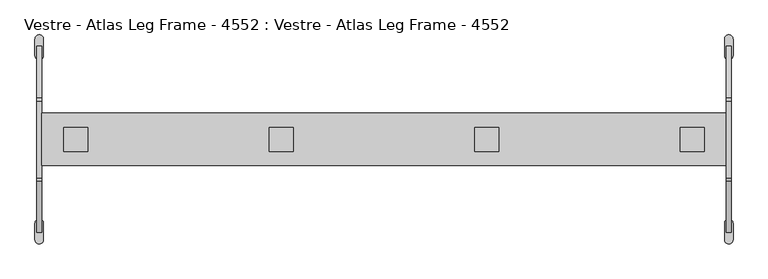
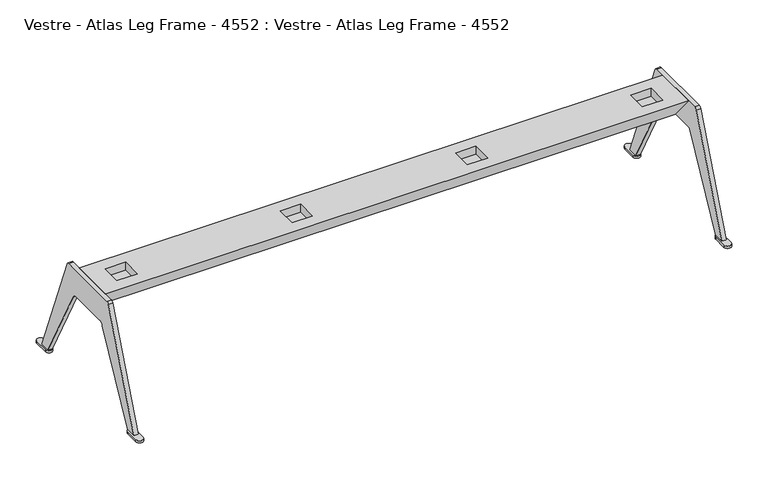
"""IFC4 building model written with IfcOpenShell, lengths in millimetres: furniture geometry, Vestre - Atlas Leg Frame - 4552 : Vestre - Atlas Leg Frame - 4552."""

from ifc_helpers import new_model, si_unit, point, frame, frame_2d, origin, origin_with_axes, place, context, project, spatial, polyline, circle_curve, trimmed, segment, composite_curve, outline, extrude, faceted_brep, source, transform, mapped, element, save


def vestre_atlas_leg_frame_4552_vestre_atlas_leg_frame_4552_7516278a(model_context):
    return source(origin(), model_context, "Body", "SolidModel", [
        extrude(outline(composite_curve([segment(polyline([(274.4581476, 7.85), (238.7432621, 7.85), (86.6507551, 294.3770811)]), True, "CONTINUOUS"), segment(trimmed(circle_curve(frame_2d((68.9852486, 284.9999878)), 20.0), [point((86.6507551, 294.3770811))], [point((68.9852486, 304.9999878))], True, "CARTESIAN"), True, "CONTINUOUS"), segment(polyline([(68.9852486, 304.9999878), (-68.9852486, 304.9999878)]), True, "CONTINUOUS"), segment(trimmed(circle_curve(frame_2d((-68.9852486, 284.9999878)), 20.0), [point((-68.9852486, 304.9999878))], [point((-86.6507551, 294.3770811))], True, "CARTESIAN"), True, "CONTINUOUS"), segment(polyline([(-86.6507551, 294.3770811), (-238.7432621, 7.85), (-274.4581476, 7.85), (-122.5040271, 393.6645503)]), True, "CONTINUOUS"), segment(trimmed(circle_curve(frame_2d((-113.1996683, 390.0000031)), 10.0), [point((-122.5040271, 393.6645503))], [point((-113.1996683, 400.0000031))], False, "CARTESIAN"), True, "CONTINUOUS"), segment(polyline([(-113.1996683, 400.0000031), (113.1996683, 400.0000031)]), True, "CONTINUOUS"), segment(trimmed(circle_curve(frame_2d((113.1996683, 390.0000031)), 10.0), [point((113.1996683, 400.0000031))], [point((122.5040271, 393.6645503))], False, "CARTESIAN"), True, "CONTINUOUS"), segment(polyline([(122.5040271, 393.6645503), (274.4581476, 7.85)]), True, "CONTINUOUS")], self_intersect=False)), frame((1004.4994423, 0.0, 0.0), z_axis=(1.0, 0.0, 0.0), x_axis=(0.0, 1.0, 0.0)), (0.0, 0.0, 1.0), 15.0002472),
        faceted_brep([(1004.500605, 0.0, 304.9999878), (1004.500605, 77.4828432, 400.0000031), (1004.500605, -77.4832792, 400.0000031), (-1004.4994423, 0.0, 304.9999878), (-1004.4994423, -77.4832792, 400.0000031), (-1004.4994423, 77.4828432, 400.0000031), (-869.499543, 34.9996805, 400.0000031), (-869.499543, -35.0001165, 400.0000031), (-939.4993401, -35.0001165, 400.0000031), (-939.4993401, 34.9996805, 400.0000031), (-266.4997215, -35.0001165, 400.0000031), (-336.4995186, -35.0001165, 400.0000031), (-336.4995186, 34.9996805, 400.0000031), (-266.4997215, 34.9996805, 400.0000031), (939.4993401, -35.0001165, 400.0000031), (869.499543, -35.0001165, 400.0000031), (869.499543, 34.9996805, 400.0000031), (939.4993401, 34.9996805, 400.0000031), (336.4995186, 34.9996805, 400.0000031), (336.4995186, -35.0001165, 400.0000031), (266.4997215, -35.0001165, 400.0000031), (266.4997215, 34.9996805, 400.0000031), (-869.499543, -35.0001165, 370.8502198), (-869.499543, 34.9996805, 370.8502198), (-939.4993401, 34.9996805, 370.8502198), (-939.4993401, -35.0001165, 370.8502198), (-336.4995186, -35.0001165, 370.8502198), (-266.4997215, -35.0001165, 370.8502198), (-266.4997215, 34.9996805, 370.8502198), (-336.4995186, 34.9996805, 370.8502198), (869.499543, -35.0001165, 370.8502198), (939.4993401, -35.0001165, 370.8502198), (939.4993401, 34.9996805, 370.8502198), (869.499543, 34.9996805, 370.8502198), (336.4995186, -35.0001165, 370.8502198), (336.4995186, 34.9996805, 370.8502198), (266.4997215, 34.9996805, 370.8502198), (266.4997215, -35.0001165, 370.8502198)], [[[0, 1, 2]], [[3, 4, 5]], [[1, 0, 3, 5]], [[2, 1, 5, 4], [6, 7, 8, 9], [10, 11, 12, 13], [14, 15, 16, 17], [18, 19, 20, 21]], [[0, 2, 4, 3]], [[22, 23, 24, 25]], [[26, 27, 28, 29]], [[30, 31, 32, 33]], [[34, 35, 36, 37]], [[23, 22, 7, 6]], [[24, 23, 6, 9]], [[25, 24, 9, 8]], [[22, 25, 8, 7]], [[27, 26, 11, 10]], [[28, 27, 10, 13]], [[29, 28, 13, 12]], [[26, 29, 12, 11]], [[31, 30, 15, 14]], [[32, 31, 14, 17]], [[33, 32, 17, 16]], [[30, 33, 16, 15]], [[35, 34, 19, 18]], [[36, 35, 18, 21]], [[37, 36, 21, 20]], [[34, 37, 20, 19]]]),
        extrude(outline(composite_curve([segment(trimmed(circle_curve(frame_2d((-1011.9992752, 294.7881019)), 12.5001091), [point((-1024.4993843, 294.7881019))], [point((-999.4991661, 294.7881019))], False, "CARTESIAN"), True, "CONTINUOUS"), segment(polyline([(-999.4991661, 294.7881019), (-999.4991661, 246.6671022)]), True, "CONTINUOUS"), segment(trimmed(circle_curve(frame_2d((-1011.9992752, 246.6671022)), 12.5001091), [point((-999.4991661, 246.6671022))], [point((-1024.4993843, 246.6671022))], False, "CARTESIAN"), True, "CONTINUOUS"), segment(polyline([(-1024.4993843, 246.6671022), (-1024.4993843, 294.7881019)]), True, "CONTINUOUS")], self_intersect=False)), origin_with_axes(), (0.0, 0.0, 1.0), 7.85),
        extrude(outline(composite_curve([segment(polyline([(-1024.4993843, -294.7881019), (-1024.4993843, -246.6671022)]), True, "CONTINUOUS"), segment(trimmed(circle_curve(frame_2d((-1011.9992752, -246.6671022)), 12.5001091), [point((-1024.4993843, -246.6671022))], [point((-999.4991661, -246.6671022))], False, "CARTESIAN"), True, "CONTINUOUS"), segment(polyline([(-999.4991661, -246.6671022), (-999.4991661, -294.7881019)]), True, "CONTINUOUS"), segment(trimmed(circle_curve(frame_2d((-1011.9992752, -294.7881019)), 12.5001091), [point((-999.4991661, -294.7881019))], [point((-1024.4993843, -294.7881019))], False, "CARTESIAN"), True, "CONTINUOUS")], self_intersect=False)), origin_with_axes(), (0.0, 0.0, 1.0), 7.85),
        extrude(outline(composite_curve([segment(polyline([(1024.4993843, 294.7881019), (1024.4993843, 246.6671022)]), True, "CONTINUOUS"), segment(trimmed(circle_curve(frame_2d((1011.9992752, 246.6671022)), 12.5001091), [point((1024.4993843, 246.6671022))], [point((999.4991661, 246.6671022))], False, "CARTESIAN"), True, "CONTINUOUS"), segment(polyline([(999.4991661, 246.6671022), (999.4991661, 294.7881019)]), True, "CONTINUOUS"), segment(trimmed(circle_curve(frame_2d((1011.9992752, 294.7881019)), 12.5001091), [point((999.4991661, 294.7881019))], [point((1024.4993843, 294.7881019))], False, "CARTESIAN"), True, "CONTINUOUS")], self_intersect=False)), origin_with_axes(), (0.0, 0.0, 1.0), 7.85),
        extrude(outline(composite_curve([segment(trimmed(circle_curve(frame_2d((1011.9992752, -294.7881019)), 12.5001091), [point((1024.4993843, -294.7881019))], [point((999.4991661, -294.7881019))], False, "CARTESIAN"), True, "CONTINUOUS"), segment(polyline([(999.4991661, -294.7881019), (999.4991661, -246.6671022)]), True, "CONTINUOUS"), segment(trimmed(circle_curve(frame_2d((1011.9992752, -246.6671022)), 12.5001091), [point((999.4991661, -246.6671022))], [point((1024.4993843, -246.6671022))], False, "CARTESIAN"), True, "CONTINUOUS"), segment(polyline([(1024.4993843, -246.6671022), (1024.4993843, -294.7881019)]), True, "CONTINUOUS")], self_intersect=False)), origin_with_axes(), (0.0, 0.0, 1.0), 7.85),
        extrude(outline(composite_curve([segment(polyline([(274.4581476, 7.85), (238.7432621, 7.85), (86.6507551, 294.3770811)]), True, "CONTINUOUS"), segment(trimmed(circle_curve(frame_2d((68.9852486, 284.9999878)), 20.0), [point((86.6507551, 294.3770811))], [point((68.9852486, 304.9999878))], True, "CARTESIAN"), True, "CONTINUOUS"), segment(polyline([(68.9852486, 304.9999878), (-68.9852486, 304.9999878)]), True, "CONTINUOUS"), segment(trimmed(circle_curve(frame_2d((-68.9852486, 284.9999878)), 20.0), [point((-68.9852486, 304.9999878))], [point((-86.6507551, 294.3770811))], True, "CARTESIAN"), True, "CONTINUOUS"), segment(polyline([(-86.6507551, 294.3770811), (-238.7432621, 7.85), (-274.4581476, 7.85), (-122.5040271, 393.6645503)]), True, "CONTINUOUS"), segment(trimmed(circle_curve(frame_2d((-113.1996683, 390.0000031)), 10.0), [point((-122.5040271, 393.6645503))], [point((-113.1996683, 400.0000031))], False, "CARTESIAN"), True, "CONTINUOUS"), segment(polyline([(-113.1996683, 400.0000031), (113.1996683, 400.0000031)]), True, "CONTINUOUS"), segment(trimmed(circle_curve(frame_2d((113.1996683, 390.0000031)), 10.0), [point((113.1996683, 400.0000031))], [point((122.5040271, 393.6645503))], False, "CARTESIAN"), True, "CONTINUOUS"), segment(polyline([(122.5040271, 393.6645503), (274.4581476, 7.85)]), True, "CONTINUOUS")], self_intersect=False)), frame((-1019.4996895, 0.0, 0.0), z_axis=(1.0, 0.0, 0.0), x_axis=(0.0, 1.0, 0.0)), (0.0, 0.0, 1.0), 15.0002472),
    ])


if __name__ == "__main__":
    model = new_model("IFC4")
    model_context = context("Model", 3, world=origin())
    ifc_project = project(units=[si_unit("LENGTHUNIT", "METRE", prefix="MILLI")], contexts=[model_context])
    site = spatial("IfcSite", under=ifc_project)
    building = spatial("IfcBuilding", under=site)
    placement = place(None, origin())
    vestre_atlas_leg_frame_4552_vestre_atlas_leg_frame_4552_shape = vestre_atlas_leg_frame_4552_vestre_atlas_leg_frame_4552_7516278a(model_context)
    element("IfcFurniture", 1, ObjectType="Vestre - Atlas Leg Frame - 4552 : Vestre - Atlas Leg Frame - 4552", at=placement, inside=building, context=model_context, shape_type="MappedRepresentation", body=[
        mapped(vestre_atlas_leg_frame_4552_vestre_atlas_leg_frame_4552_shape, transform((0.0, 0.0, 0.0), x_axis=(1.0, 0.0, 0.0), y_axis=(0.0, 1.0, 0.0), z_axis=(0.0, 0.0, 1.0))),
    ])
    save(model, "model.ifc")
